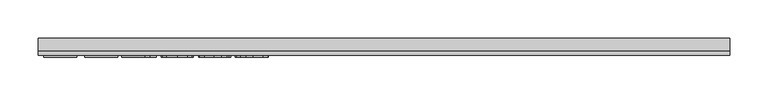
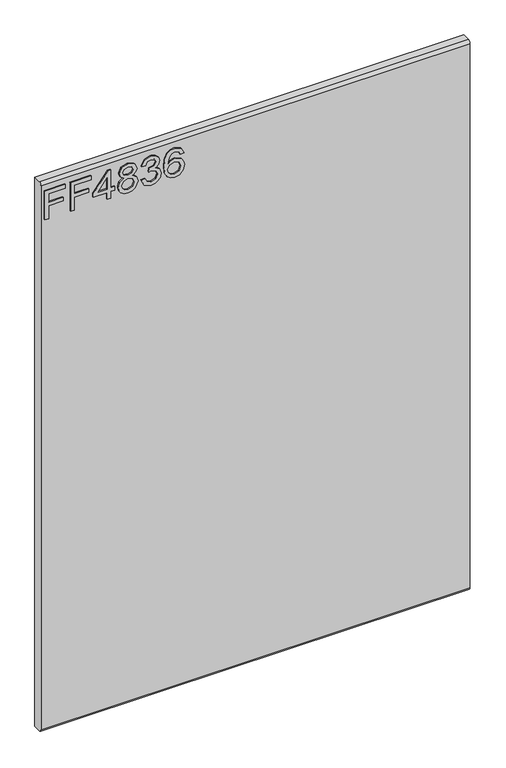
"""IFC4 building model written with IfcOpenShell, lengths in millimetres: furniture geometry."""

from ifc_helpers import new_model, si_unit, frame, origin, place, context, project, spatial, polyline, circle_curve, outline, extrude, source, transform, mapped, element, save
from ifc_brep_helpers import plane_surface, cylinder_surface, advanced_brep


def furniture_6f28eb4f(model_context):
    return source(origin(), model_context, "Body", "SolidModel", [
        extrude(outline(polyline([(1289.05, -443.8729953), (1289.05, -435.8992757), (1317.9547336, -435.8992757), (1317.9547336, -405.9978271), (1325.9284532, -405.9978271), (1325.9284532, -435.8992757), (1344.8660373, -435.8992757), (1344.8660373, -401.0142524), (1352.8397569, -401.0142524), (1352.8397569, -443.8729953), (1289.05, -443.8729953)])), frame((0.0, -15.0812439, 0.0), z_axis=(0.0, 1.0, 0.0), x_axis=(0.0, 0.0, 1.0)), (0.0, 0.0, 1.0), 2.38125),
        extrude(outline(polyline([(1289.05, -390.0503879), (1289.05, -382.0766683), (1317.9547336, -382.0766683), (1317.9547336, -352.1752197), (1325.9284532, -352.1752197), (1325.9284532, -382.0766683), (1344.8660373, -382.0766683), (1344.8660373, -347.191645), (1352.8397569, -347.191645), (1352.8397569, -390.0503879), (1289.05, -390.0503879)])), frame((0.0, -15.0812439, 0.0), z_axis=(0.0, 1.0, 0.0), x_axis=(0.0, 0.0, 1.0)), (0.0, 0.0, 1.0), 2.38125),
        extrude(outline(polyline([(1289.05, -313.3033366), (1289.05, -305.329617), (1304.0007243, -305.329617), (1304.0007243, -297.3558974), (1311.9744439, -297.3558974), (1311.9744439, -305.329617), (1351.843042, -305.329617), (1351.843042, -311.3099067), (1311.9744439, -342.2080702), (1304.0007243, -342.2080702), (1304.0007243, -313.3033366), (1289.05, -313.3033366)]), holes=[polyline([(1311.9744439, -313.3033366), (1311.9744439, -332.3966574), (1336.6119916, -313.3033366), (1311.9744439, -313.3033366)])]), frame((0.0, -15.0812439, 0.0), z_axis=(0.0, 1.0, 0.0), x_axis=(0.0, 0.0, 1.0)), (0.0, 0.0, 1.0), 2.38125),
        extrude(outline(polyline([(1324.1842021, -278.760934), (1318.3907964, -287.3576005), (1307.8318474, -290.3788927), (1300.0742125, -288.9383281), (1293.7143145, -284.6166344), (1289.4685424, -277.9433163), (1288.053285, -269.4478787), (1289.4627023, -260.9524411), (1293.690954, -254.279123), (1307.613816, -248.5168647), (1317.9313731, -251.4213544), (1324.1842021, -259.9012183), (1329.113269, -252.8385584), (1336.6275653, -250.5102946), (1348.1209346, -255.7430481), (1352.8397569, -269.5568944), (1348.2299503, -283.2461513), (1336.8455967, -288.3854628), (1329.1366295, -286.0260516), (1324.1842021, -278.760934)]), holes=[polyline([(1336.6119916, -280.4117432), (1342.4365446, -277.5384008), (1344.8660373, -269.4478787), (1342.3820368, -261.380717), (1336.2537972, -258.4840142), (1330.3358022, -261.287275), (1327.9218831, -269.3544367), (1330.3513758, -277.5851219), (1336.6119916, -280.4117432)]), polyline([(1308.1121735, -282.4051731), (1316.5686769, -279.0334733), (1319.9481635, -269.6503364), (1316.5219559, -259.9946603), (1307.8629947, -256.4905843), (1299.3675571, -259.8856446), (1296.0270047, -269.385584), (1297.6155191, -276.3625887), (1302.1085232, -281.0736242), (1308.1121735, -282.4051731)])]), frame((0.0, -15.0812439, 0.0), z_axis=(0.0, 1.0, 0.0), x_axis=(0.0, 0.0, 1.0)), (0.0, 0.0, 1.0), 2.38125),
        extrude(outline(polyline([(1305.9941542, -241.53986), (1293.0524335, -235.2013759), (1288.053285, -221.2162192), (1289.5172101, -212.6935277), (1293.9089854, -205.7827111), (1300.4032063, -201.2040518), (1308.1744681, -199.677832), (1318.5465331, -202.7302716), (1323.997318, -211.4203801), (1329.2767925, -204.8794382), (1336.6275653, -202.6679769), (1344.6713664, -204.9962407), (1350.6516562, -211.7240666), (1352.8397569, -221.3408086), (1348.4012607, -234.0177769), (1335.8956028, -240.5431451), (1334.8988878, -232.5694255), (1342.3742499, -228.660434), (1344.8660373, -221.0604825), (1342.3976105, -213.553973), (1336.1603552, -210.6416965), (1329.1210558, -214.6597037), (1326.9251682, -224.9850476), (1318.9514486, -225.8727469), (1319.8235742, -220.2817989), (1316.56089, -211.2179223), (1308.3146312, -207.6515516), (1299.562228, -211.2490697), (1296.0270047, -220.9358931), (1298.5966604, -229.1665783), (1306.9908691, -233.5661404), (1305.9941542, -241.53986)])), frame((0.0, -15.0812439, 0.0), z_axis=(0.0, 1.0, 0.0), x_axis=(0.0, 0.0, 1.0)), (0.0, 0.0, 1.0), 2.38125),
        extrude(outline(polyline([(1335.8956028, -151.8355143), (1348.338966, -157.722362), (1352.8397569, -170.321462), (1351.0215308, -179.576116), (1345.5668525, -186.7205376), (1334.7081103, -191.9532911), (1318.8268592, -193.6975423), (1304.7015395, -192.1265482), (1295.2171738, -187.413566), (1289.8442572, -180.2087964), (1288.053285, -171.1624402), (1290.755317, -160.7125069), (1298.5421526, -153.4707498), (1309.5449512, -150.8387994), (1317.7172351, -152.2365364), (1324.2309231, -156.4297473), (1329.915313, -169.9788412), (1327.8362279, -178.6923102), (1321.4743833, -185.7238227), (1335.6853582, -183.4578535), (1342.9349021, -178.0148555), (1344.8660373, -170.8198194), (1341.5488454, -162.8305261), (1334.8988878, -159.8092339), (1335.8956028, -151.8355143)]), holes=[polyline([(1309.6695406, -185.7238227), (1318.55432, -181.7603234), (1321.9415934, -172.1124341), (1318.55432, -162.3399555), (1309.2801988, -158.812519), (1299.5933754, -162.3866765), (1296.0270047, -171.785387), (1297.7478953, -178.9726363), (1302.7626174, -183.8783427), (1309.6695406, -185.7238227)])]), frame((0.0, -15.0812439, 0.0), z_axis=(0.0, 1.0, 0.0), x_axis=(0.0, 0.0, 1.0)), (0.0, 0.0, 1.0), 2.38125),
        advanced_brep(
        [(450.85, 9.5250061, 1371.6), (450.85, -6.7309939, 1371.6), (450.85, -12.6999939, 1365.631), (450.85, -12.6999939, 158.369), (450.85, -6.7309939, 152.4), (450.85, 9.5250061, 152.4), (-450.85, 9.5250061, 1371.6), (-450.85, 9.5250061, 152.4), (-450.85, -6.7309939, 152.4), (-450.85, -12.6999939, 158.369), (-450.85, -12.6999939, 1365.6310121), (-450.85, -6.7309939, 1371.6)],
        [
            (0, 1),
            (1, 2, circle_curve(frame((450.85, -6.7309939, 1365.631), z_axis=(1.0, 0.0, 0.0), x_axis=(0.0, 1.0, 0.0)), 5.969)),
            (2, 3),
            (3, 4, circle_curve(frame((450.85, -6.7309939, 158.369), z_axis=(1.0, 0.0, 0.0), x_axis=(0.0, 1.0, 0.0)), 5.969)),
            (4, 5),
            (5, 0),
            (6, 7),
            (7, 8),
            (8, 9, circle_curve(frame((-450.85, -6.7309939, 158.369), z_axis=(-1.0, 0.0, 0.0), x_axis=(0.0, 1.0, 0.0)), 5.969)),
            (9, 10),
            (10, 11, circle_curve(frame((-450.85, -6.7309939, 1365.631), z_axis=(-1.0, 0.0, 0.0), x_axis=(0.0, 1.0, 0.0)), 5.969)),
            (11, 6),
            (0, 6),
            (11, 1),
            (10, 2),
            (9, 3),
            (8, 4),
            (7, 5),
        ],
        [
            plane_surface(frame((450.85, -6.7309939, 1371.6), z_axis=(1.0, 0.0, 0.0), x_axis=(0.0, -1.0, 0.0))),
            plane_surface(frame((-450.85, -6.7309939, 1371.6), z_axis=(-1.0, 0.0, 0.0), x_axis=(0.0, 1.0, 0.0))),
            plane_surface(frame((450.85, 9.5250061, 1371.6), z_axis=(0.0, 0.0, 1.0), x_axis=(-1.0, 0.0, 0.0))),
            cylinder_surface(frame((-450.85, -6.7309939, 1365.631), z_axis=(1.0, 0.0, 0.0), x_axis=(0.0, 1.0, 0.0)), 5.969),
            plane_surface(frame((450.85, -12.6999939, 1365.6310121), z_axis=(0.0, -1.0, 0.0), x_axis=(-1.0, 0.0, 0.0))),
            cylinder_surface(frame((-450.85, -6.7309939, 158.369), z_axis=(1.0, 0.0, 0.0), x_axis=(0.0, 1.0, 0.0)), 5.969),
            plane_surface(frame((450.85, -6.7309939, 152.4), z_axis=(0.0, 0.0, -1.0), x_axis=(-1.0, 0.0, 0.0))),
            plane_surface(frame((450.85, 9.5250061, 152.4), z_axis=(0.0, 1.0, 0.0), x_axis=(-1.0, 0.0, 0.0))),
        ],
        [
            (0, [[1, 2, 3, 4, 5, 6]]),
            (1, [[7, 8, 9, 10, 11, 12]]),
            (2, [[-1, 13, -12, 14]]),
            (3, [[-2, -14, -11, 15]]),
            (4, [[-3, -15, -10, 16]]),
            (5, [[-4, -16, -9, 17]]),
            (6, [[-5, -17, -8, 18]]),
            (7, [[-6, -18, -7, -13]]),
        ],
    ),
    ])


if __name__ == "__main__":
    model = new_model("IFC4")
    model_context = context("Model", 3, world=origin())
    ifc_project = project(units=[si_unit("LENGTHUNIT", "METRE", prefix="MILLI")], contexts=[model_context])
    site = spatial("IfcSite", under=ifc_project)
    building = spatial("IfcBuilding", under=site)
    placement = place(None, origin())
    furniture_shape = furniture_6f28eb4f(model_context)
    element("IfcFurniture", 1, at=placement, inside=building, context=model_context, shape_type="MappedRepresentation", body=[
        mapped(furniture_shape, transform((0.0, 0.0, 0.0), x_axis=(1.0, 0.0, 0.0), y_axis=(0.0, 1.0, 0.0), z_axis=(0.0, 0.0, 1.0))),
    ])
    save(model, "model.ifc")
